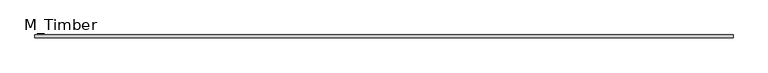
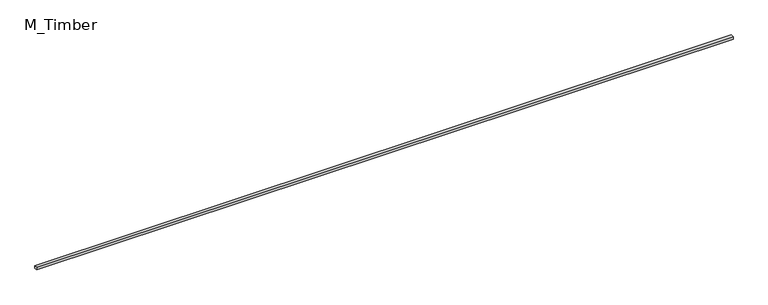
"""IFC4 building model written with IfcOpenShell, lengths in millimetres: beam geometry, M_Timber."""

from ifc_helpers import new_model, si_unit, frame, origin, place, context, project, spatial, polyline, outline, extrude, source, transform, mapped, element, save


def m_timber_7066965d(model_context):
    return source(origin(), model_context, "Body", "SweptSolid", [
        extrude(outline(polyline([(7264.344531, 30.0), (7264.344531, -30.0), (-7264.344531, -30.0), (-7264.344531, 30.0), (7264.344531, 30.0)])), frame((0.0, 0.0, -30.0), z_axis=(0.0, 0.0, 1.0), x_axis=(1.0, 0.0, 0.0)), (0.0, 0.0, 1.0), 60.0),
    ])


if __name__ == "__main__":
    model = new_model("IFC4")
    model_context = context("Model", 3, world=origin())
    ifc_project = project(units=[si_unit("LENGTHUNIT", "METRE", prefix="MILLI")], contexts=[model_context])
    site = spatial("IfcSite", under=ifc_project)
    building = spatial("IfcBuilding", under=site)
    placement = place(None, origin())
    m_timber_shape = m_timber_7066965d(model_context)
    element("IfcBeam", 1, ObjectType="M_Timber", at=placement, inside=building, context=model_context, shape_type="MappedRepresentation", body=[
        mapped(m_timber_shape, transform((0.0, 0.0, 0.0), x_axis=(1.0, 0.0, 0.0), y_axis=(0.0, 1.0, 0.0), z_axis=(0.0, 0.0, 1.0))),
    ])
    save(model, "model.ifc")
